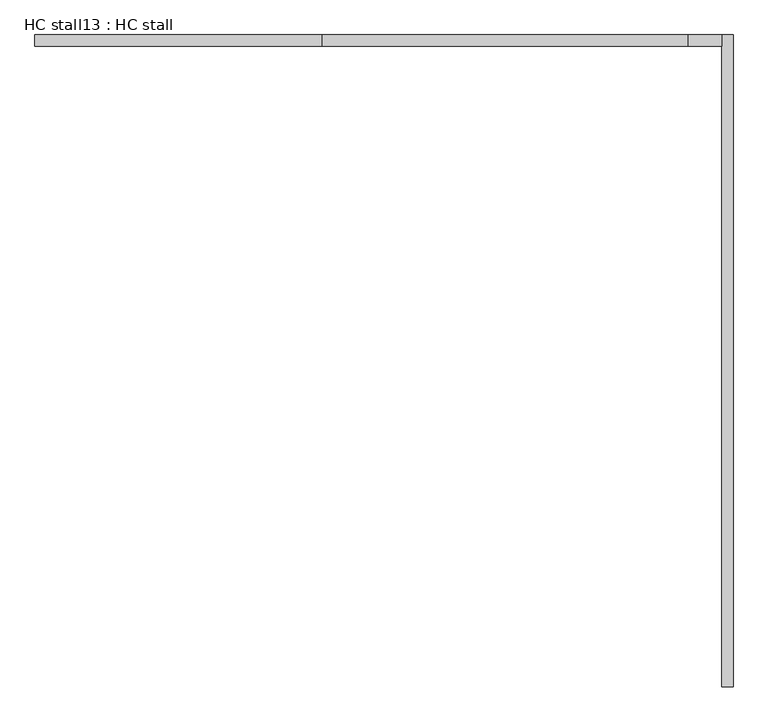
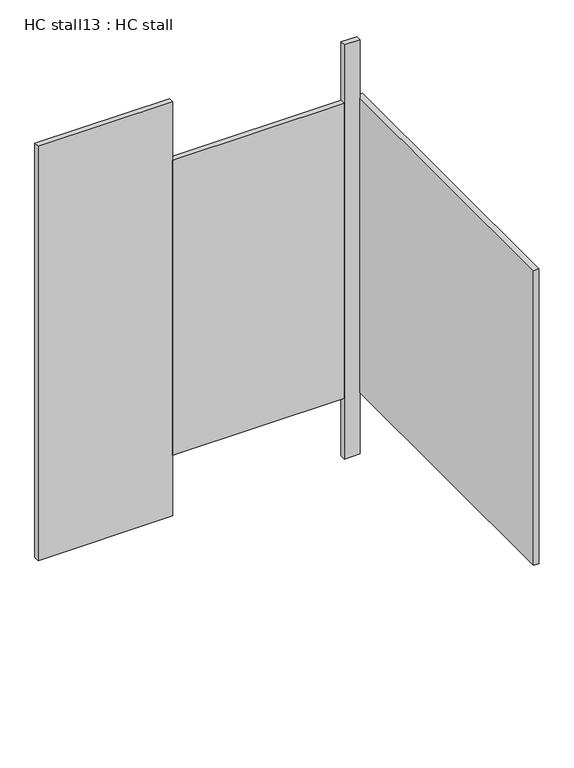
"""IFC4 building model written with IfcOpenShell, lengths in millimetres: proxy geometry, HC stall13 : HC stall."""

import ifcopenshell
import ifcopenshell.guid

model = None  # the IFC model being written
_history = None  # IfcOwnerHistory: only IFC2X3 demands one
_inside = {}  # id of a spatial element -> (the spatial element, [elements in it])
_under = {}  # id of a project, library or spatial element -> (it, [spatial elements below it])
_declared = {}  # id of a project -> (the project, [libraries it declares])
_typed = {}  # id of a type object -> (the type object, [elements of that type])
_made_of = {}  # id of a material, layer set ... -> (it, [elements and type objects made of it])


def new_model(schema):
    """Start an empty IFC model of exactly this schema.

    Asked for "IFC4X3", IfcOpenShell would pick the latest addendum, in which some entities
    have other attributes; the version numbers below select the first issue.
    IFC2X3 requires an IfcOwnerHistory on every rooted entity: one is made here for all.
    """
    global model, _history
    if schema == "IFC4X3":
        model = ifcopenshell.file(schema_version=(4, 3, 0, 0))
    else:
        model = ifcopenshell.file(schema=schema)
    _inside.clear()
    _under.clear()
    _declared.clear()
    _typed.clear()
    _made_of.clear()
    _history = None
    if model.schema == "IFC2X3":
        org = make("IfcOrganization", Name="unknown")
        user = make(
            "IfcPersonAndOrganization",
            ThePerson=make("IfcPerson", FamilyName="unknown"),
            TheOrganization=org,
        )
        app = make(
            "IfcApplication",
            ApplicationDeveloper=org,
            Version="unknown",
            ApplicationFullName="unknown",
            ApplicationIdentifier="unknown",
        )
        _history = make(
            "IfcOwnerHistory",
            OwningUser=user,
            OwningApplication=app,
            ChangeAction="ADDED",
            CreationDate=0,
        )
    return model


def make(cls, **values):
    """One entity of the class cls with the attributes given. An attribute that is None is left unset."""
    return model.create_entity(
        cls, **{name: value for name, value in values.items() if value is not None}
    )


def rooted(cls, **values):
    """An entity with a GlobalId (a new one), such as an element, a storey or a relation."""
    return make(cls, GlobalId=ifcopenshell.guid.new(), OwnerHistory=_history, **values)


def si_unit(unit_type, name, prefix=None):
    """IfcSIUnit, for example si_unit("LENGTHUNIT", "METRE", prefix="MILLI")."""
    return make("IfcSIUnit", UnitType=unit_type, Prefix=prefix, Name=name)


def assignment(units):
    """IfcUnitAssignment: the units of a project."""
    return None if units is None else make("IfcUnitAssignment", Units=units)


def point(xyz):
    """IfcCartesianPoint."""
    return None if xyz is None else make("IfcCartesianPoint", Coordinates=xyz)


def direction(xyz):
    """IfcDirection."""
    return None if xyz is None else make("IfcDirection", DirectionRatios=xyz)


def frame(location, z_axis=None, x_axis=None):
    """IfcAxis2Placement3D, a coordinate frame: its origin and axes. An axis left out is left unset."""
    return make(
        "IfcAxis2Placement3D",
        Location=point(location),
        Axis=direction(z_axis),
        RefDirection=direction(x_axis),
    )


def origin():
    """The frame at (0, 0, 0) with its axes left unset."""
    return frame((0.0, 0.0, 0.0))


def origin_with_axes():
    """The frame at (0, 0, 0) with the z axis (0, 0, 1) and the x axis (1, 0, 0) written out."""
    return frame((0.0, 0.0, 0.0), z_axis=(0.0, 0.0, 1.0), x_axis=(1.0, 0.0, 0.0))


def place(relative_to, where):
    """IfcLocalPlacement: puts the frame where relative to a parent placement (None: the world)."""
    return make(
        "IfcLocalPlacement", PlacementRelTo=relative_to, RelativePlacement=where
    )


def context(
    kind, dimensions, precision=None, world=None, true_north=None, identifier=None
):
    """IfcGeometricRepresentationContext, for example the 3D "Model" context."""
    return make(
        "IfcGeometricRepresentationContext",
        ContextIdentifier=identifier,
        ContextType=kind,
        CoordinateSpaceDimension=dimensions,
        Precision=precision,
        WorldCoordinateSystem=world,
        TrueNorth=true_north,
    )


def project(units=None, contexts=None):
    """IfcProject with its units and contexts."""
    return rooted(
        "IfcProject",
        Name="project",
        RepresentationContexts=contexts,
        UnitsInContext=assignment(units),
    )


def spatial(cls, under=None, at=None, **own):
    """A site, building, storey or space (cls), placed at a placement, below another one or the project."""
    s = rooted(cls, ObjectPlacement=at, **own)
    if under is not None:
        _under.setdefault(under.id(), (under, []))[1].append(s)
    return s


def polyline(points):
    """IfcPolyline through the points."""
    return make("IfcPolyline", Points=[point(p) for p in points])


def outline(outer, holes=None, kind="AREA"):
    """IfcArbitraryClosedProfileDef: a profile drawn as a closed curve; with holes, ...WithVoids."""
    if holes is None:
        return make("IfcArbitraryClosedProfileDef", ProfileType=kind, OuterCurve=outer)
    return make(
        "IfcArbitraryProfileDefWithVoids",
        ProfileType=kind,
        OuterCurve=outer,
        InnerCurves=holes,
    )


def extrude(swept, where, along, depth):
    """IfcExtrudedAreaSolid: the profile swept, set in the frame where, extruded along a direction by depth."""
    return make(
        "IfcExtrudedAreaSolid",
        SweptArea=swept,
        Position=where,
        ExtrudedDirection=direction(along),
        Depth=depth,
    )


def shape(context_of_items, identifier, shape_type, items):
    """IfcShapeRepresentation: the items that make up one representation, for example the "Body"."""
    return make(
        "IfcShapeRepresentation",
        ContextOfItems=context_of_items,
        RepresentationIdentifier=identifier,
        RepresentationType=shape_type,
        Items=items,
    )


def source(mapping_origin, context_of_items, identifier, shape_type, items):
    """IfcRepresentationMap: a shape defined once, which mapped items show again and again."""
    return make(
        "IfcRepresentationMap",
        MappingOrigin=mapping_origin,
        MappedRepresentation=shape(context_of_items, identifier, shape_type, items),
    )


def transform(
    local_origin,
    x_axis=None,
    y_axis=None,
    z_axis=None,
    scale=None,
    scale2=None,
    scale3=None,
    uniform=True,
):
    """IfcCartesianTransformationOperator3D, or its non-uniform kind. x_axis, y_axis, z_axis: its Axis1, 2, 3."""
    if uniform:
        return make(
            "IfcCartesianTransformationOperator3D",
            Axis1=direction(x_axis),
            Axis2=direction(y_axis),
            LocalOrigin=point(local_origin),
            Scale=scale,
            Axis3=direction(z_axis),
        )
    return make(
        "IfcCartesianTransformationOperator3DnonUniform",
        Axis1=direction(x_axis),
        Axis2=direction(y_axis),
        LocalOrigin=point(local_origin),
        Scale=scale,
        Axis3=direction(z_axis),
        Scale2=scale2,
        Scale3=scale3,
    )


def mapped(mapping_source, mapping_target):
    """IfcMappedItem: shows the shape of a source again, moved by a transform."""
    return make(
        "IfcMappedItem", MappingSource=mapping_source, MappingTarget=mapping_target
    )


def made_of(thing, what):
    """Note that an element or type object is made of a material, layer set ...; save() writes the relation."""
    if what is not None:
        _made_of.setdefault(what.id(), (what, []))[1].append(thing)
    return thing


def element(
    cls,
    number,
    at=None,
    inside=None,
    cuts=None,
    type_object=None,
    material=None,
    context=None,
    identifier="Body",
    shape_type=None,
    held_by="IfcProductDefinitionShape",
    body=None,
    shapes=None,
    **own,
):
    """One element of the class cls, such as IfcWall. Its Tag is "e" and its number.

    at: its placement. inside: the storey or other place that contains it. cuts: it is an
    opening in that element (IfcRelVoidsElement). A single representation is given by context,
    identifier, shape_type and body (its items); several are given by shapes. held_by: the class
    of the entity that holds the representations. save() writes the other relations.
    """
    e = rooted(cls, Tag="e%d" % number, ObjectPlacement=at, **own)
    if body is not None:
        shapes = [shape(context, identifier, shape_type, body)]
    if shapes is not None:
        e.Representation = make(held_by, Representations=shapes)
    if inside is not None:
        _inside.setdefault(inside.id(), (inside, []))[1].append(e)
    if cuts is not None:
        rooted(
            "IfcRelVoidsElement", RelatingBuildingElement=cuts, RelatedOpeningElement=e
        )
    if type_object is not None:
        _typed.setdefault(type_object.id(), (type_object, []))[1].append(e)
    return made_of(e, material)


def aggregate(whole, parts):
    """IfcRelAggregates: a whole, such as a stair, and the parts it consists of."""
    return rooted("IfcRelAggregates", RelatingObject=whole, RelatedObjects=parts)


def save(model, path):
    """Write the relations noted so far, then the file.

    IfcRelAggregates (storeys below a building ...), IfcRelContainedInSpatialStructure (elements
    in a storey), IfcRelDefinesByType, IfcRelAssociatesMaterial and IfcRelDeclares: one each for
    every whole, place, type object, material and project.
    """
    for whole, parts in _under.values():
        aggregate(whole, parts)
    for where, things in _inside.values():
        rooted(
            "IfcRelContainedInSpatialStructure",
            RelatedElements=things,
            RelatingStructure=where,
        )
    for kind, things in _typed.values():
        rooted("IfcRelDefinesByType", RelatedObjects=things, RelatingType=kind)
    for what, things in _made_of.values():
        rooted("IfcRelAssociatesMaterial", RelatedObjects=things, RelatingMaterial=what)
    for by, libraries in _declared.values():
        rooted("IfcRelDeclares", RelatingContext=by, RelatedDefinitions=libraries)
    model.write(path)


def hc_stall13_hc_stall_5e93533f(model_context):
    return source(origin(), model_context, "Body", "SweptSolid", [
        extrude(outline(polyline([(444179.1129676, -368890.2910885), (444153.7129676, -368890.2910885), (444153.7129676, -367442.6186254), (444179.1129676, -367442.6186254), (444179.1129676, -368890.2910885)])), frame((0.0, 0.0, 304.8), z_axis=(0.0, 0.0, 1.0), x_axis=(1.0, 0.0, 0.0)), (0.0, 0.0, 1.0), 1473.2),
        extrude(outline(polyline([(443266.3004676, -367467.8910885), (442629.7129676, -367467.8910885), (442629.7129676, -367442.4910885), (443266.3004676, -367442.4910885), (443266.3004676, -367467.8910885)])), origin_with_axes(), (0.0, 0.0, 1.0), 2070.1),
        extrude(outline(polyline([(444153.7129676, -367467.8910885), (444079.1004676, -367467.8910885), (444079.1004676, -367442.4910885), (444153.7129676, -367442.4910885), (444153.7129676, -367467.8910885)])), origin_with_axes(), (0.0, 0.0, 1.0), 2070.1),
        extrude(outline(polyline([(444079.1004676, -367467.8910885), (443266.3004676, -367467.8910885), (443266.3004676, -367442.4910885), (444079.1004676, -367442.4910885), (444079.1004676, -367467.8910885)])), frame((0.0, 0.0, 304.8), z_axis=(0.0, 0.0, 1.0), x_axis=(1.0, 0.0, 0.0)), (0.0, 0.0, 1.0), 1473.2),
    ])


if __name__ == "__main__":
    model = new_model("IFC4")
    model_context = context("Model", 3, world=origin())
    ifc_project = project(units=[si_unit("LENGTHUNIT", "METRE", prefix="MILLI")], contexts=[model_context])
    site = spatial("IfcSite", under=ifc_project)
    building = spatial("IfcBuilding", under=site)
    placement = place(None, origin())
    hc_stall13_hc_stall_shape = hc_stall13_hc_stall_5e93533f(model_context)
    element("IfcBuildingElementProxy", 1, Name="HC stall13 : HC stall", ObjectType="HC stall13 : HC stall", at=placement, inside=building, context=model_context, shape_type="MappedRepresentation", body=[
        mapped(hc_stall13_hc_stall_shape, transform((0.0, 0.0, 0.0), x_axis=(1.0, 0.0, 0.0), y_axis=(0.0, 1.0, 0.0), z_axis=(0.0, 0.0, 1.0))),
    ])
    save(model, "model.ifc")
